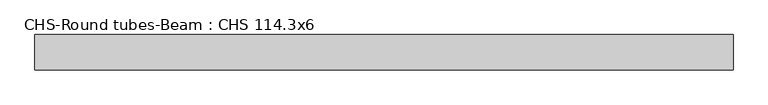
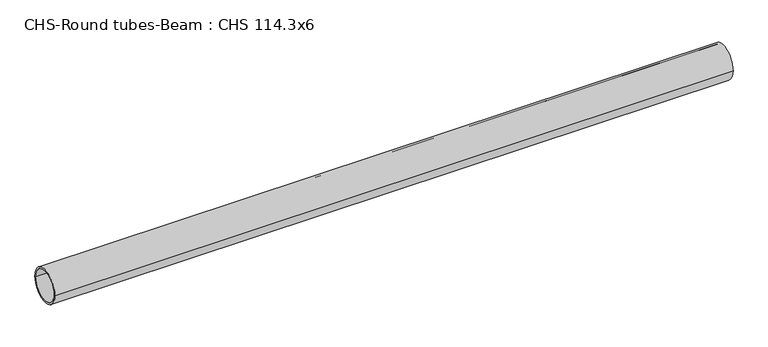
"""IFC4 building model written with IfcOpenShell, lengths in millimetres: beam geometry, CHS-Round tubes-Beam : CHS 114.3x6."""

from ifc_helpers import new_model, si_unit, point, frame, origin, origin_2d, place, context, project, spatial, circle_curve, trimmed, segment, composite_curve, outline, extrude, source, transform, mapped, element, save


def chs_round_tubes_beam_chs_114_3x6_376400e8(model_context):
    return source(origin(), model_context, "Body", "SweptSolid", [
        extrude(outline(composite_curve([segment(trimmed(circle_curve(origin_2d(), 57.15), [point((57.15, 0.0))], [point((-57.15, 0.0))], False, "CARTESIAN"), True, "CONTINUOUS"), segment(trimmed(circle_curve(origin_2d(), 57.15), [point((-57.15, 0.0))], [point((57.15, 0.0))], False, "CARTESIAN"), True, "CONTINUOUS")], self_intersect=False), holes=[composite_curve([segment(trimmed(circle_curve(origin_2d(), 51.15), [point((51.15, 0.0))], [point((-51.15, 0.0))], True, "CARTESIAN"), True, "CONTINUOUS"), segment(trimmed(circle_curve(origin_2d(), 51.15), [point((-51.15, 0.0))], [point((51.15, 0.0))], True, "CARTESIAN"), True, "CONTINUOUS")], self_intersect=False)]), frame((-1106.6947046, 0.0, 0.0), z_axis=(1.0, 0.0, 0.0), x_axis=(0.0, 1.0, 0.0)), (0.0, 0.0, 1.0), 2256.2164089),
    ])


if __name__ == "__main__":
    model = new_model("IFC4")
    model_context = context("Model", 3, world=origin())
    ifc_project = project(units=[si_unit("LENGTHUNIT", "METRE", prefix="MILLI")], contexts=[model_context])
    site = spatial("IfcSite", under=ifc_project)
    building = spatial("IfcBuilding", under=site)
    placement = place(None, origin())
    chs_round_tubes_beam_chs_114_3x6_shape = chs_round_tubes_beam_chs_114_3x6_376400e8(model_context)
    element("IfcBeam", 1, ObjectType="CHS-Round tubes-Beam : CHS 114.3x6", at=placement, inside=building, context=model_context, shape_type="MappedRepresentation", body=[
        mapped(chs_round_tubes_beam_chs_114_3x6_shape, transform((0.0, 0.0, 0.0), x_axis=(1.0, 0.0, 0.0), y_axis=(0.0, 1.0, 0.0), z_axis=(0.0, 0.0, 1.0))),
    ])
    save(model, "model.ifc")
